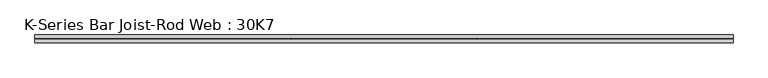
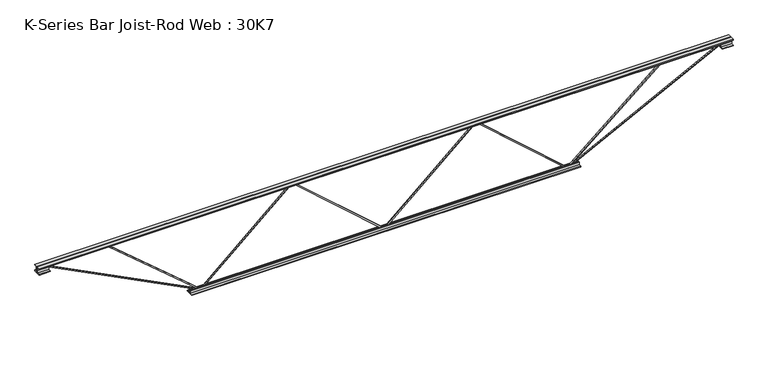
"""IFC4 building model written with IfcOpenShell, lengths in millimetres: beam geometry, K-Series Bar Joist-Rod Web : 30K7."""

from ifc_helpers import new_model, si_unit, frame, origin, place, context, project, spatial, polyline, outline, extrude, source, transform, mapped, element, save


def k_series_bar_joist_rod_web_30k7_313f8475(model_context):
    return source(origin(), model_context, "Body", "SweptSolid", [
        extrude(outline(polyline([(-369.8875, 0.0), (-379.4125, 0.0), (-379.4125, 4.973034), (369.8875, 855.873034), (369.8875, 858.626966), (-379.4125, 1709.526966), (-379.4125, 1714.5), (-369.8875, 1714.5), (-369.8875, 1713.123034), (379.4125, 862.223034), (379.4125, 852.276966), (-369.8875, 1.376966), (-369.8875, 0.0)])), frame((0.0, -4.7625, 0.0), z_axis=(0.0, 1.0, 0.0), x_axis=(0.0, 0.0, 1.0)), (0.0, 0.0, 1.0), 9.525),
        extrude(outline(polyline([(-369.8875, -1714.5), (-379.4125, -1714.5), (-379.4125, -1709.526966), (369.8875, -858.626966), (369.8875, -855.873034), (-379.4125, -4.973034), (-379.4125, 0.0), (-369.8875, 0.0), (-369.8875, -1.376966), (379.4125, -852.276966), (379.4125, -862.223034), (-369.8875, -1713.123034), (-369.8875, -1714.5)])), frame((0.0, -4.7625, 0.0), z_axis=(0.0, 1.0, 0.0), x_axis=(0.0, 0.0, 1.0)), (0.0, 0.0, 1.0), 9.525),
        extrude(outline(polyline([(4.7625, 381.0), (36.5125, 381.0), (36.5125, 374.65), (11.1125, 374.65), (11.1125, 349.25), (4.7625, 349.25), (4.7625, 381.0)])), frame((-3238.5, 0.0, 0.0), z_axis=(1.0, 0.0, 0.0), x_axis=(0.0, 1.0, 0.0)), (0.0, 0.0, 1.0), 6477.0),
        extrude(outline(polyline([(-4.7625, 381.0), (-4.7625, 349.25), (-11.1125, 349.25), (-11.1125, 374.65), (-36.5125, 374.65), (-36.5125, 381.0), (-4.7625, 381.0)])), frame((-3238.5, 0.0, 0.0), z_axis=(1.0, 0.0, 0.0), x_axis=(0.0, 1.0, 0.0)), (0.0, 0.0, 1.0), 6477.0),
        extrude(outline(polyline([(-4.7625, 317.5), (-36.5125, 317.5), (-36.5125, 323.85), (-11.1125, 323.85), (-11.1125, 349.25), (-4.7625, 349.25), (-4.7625, 317.5)])), frame((-3238.5, 0.0, 0.0), z_axis=(1.0, 0.0, 0.0), x_axis=(0.0, 1.0, 0.0)), (0.0, 0.0, 1.0), 101.6),
        extrude(outline(polyline([(36.5125, 317.5), (4.7625, 317.5), (4.7625, 349.25), (11.1125, 349.25), (11.1125, 323.85), (36.5125, 323.85), (36.5125, 317.5)])), frame((-3238.5, 0.0, 0.0), z_axis=(1.0, 0.0, 0.0), x_axis=(0.0, 1.0, 0.0)), (0.0, 0.0, 1.0), 101.6),
        extrude(outline(polyline([(4.7625, 317.5), (4.7625, 349.25), (11.1125, 349.25), (11.1125, 323.85), (36.5125, 323.85), (36.5125, 317.5), (4.7625, 317.5)])), frame((3136.9, 0.0, 0.0), z_axis=(1.0, 0.0, 0.0), x_axis=(0.0, 1.0, 0.0)), (0.0, 0.0, 1.0), 101.6),
        extrude(outline(polyline([(-4.7625, 317.5), (-36.5125, 317.5), (-36.5125, 323.85), (-11.1125, 323.85), (-11.1125, 349.25), (-4.7625, 349.25), (-4.7625, 317.5)])), frame((3136.9, 0.0, 0.0), z_axis=(1.0, 0.0, 0.0), x_axis=(0.0, 1.0, 0.0)), (0.0, 0.0, 1.0), 101.6),
        extrude(outline(polyline([(4.7625, -381.0), (4.7625, -349.25), (11.1125, -349.25), (11.1125, -374.65), (36.5125, -374.65), (36.5125, -381.0), (4.7625, -381.0)])), frame((-1816.1, 0.0, 0.0), z_axis=(1.0, 0.0, 0.0), x_axis=(0.0, 1.0, 0.0)), (0.0, 0.0, 1.0), 3632.2),
        extrude(outline(polyline([(-4.7625, -381.0), (-36.5125, -381.0), (-36.5125, -374.65), (-11.1125, -374.65), (-11.1125, -349.25), (-4.7625, -349.25), (-4.7625, -381.0)])), frame((-1816.1, 0.0, 0.0), z_axis=(1.0, 0.0, 0.0), x_axis=(0.0, 1.0, 0.0)), (0.0, 0.0, 1.0), 3632.2),
        extrude(outline(polyline([(0.0, -9.525), (0.0, 0.0), (1596.011582, 0.0), (1596.011582, -9.525), (0.0, -9.525)])), frame((-3139.0601183, 4.7625, 345.0055571), z_axis=(0.4535681370653388, 0.0, 0.8912216026550738), x_axis=(0.8912216026550738, 0.0, -0.4535681370653388)), (0.0, 0.0, 1.0), 9.525),
        extrude(outline(polyline([(0.0, -9.525), (0.0, 0.0), (1122.0110394, 0.0), (1122.0110394, -9.525), (0.0, -9.525)])), frame((-2574.8226736, 4.7625, 345.6113075), z_axis=(0.6451808178261166, 0.0, 0.7640299158470324), x_axis=(0.7640299158470324, 0.0, -0.6451808178261166)), (0.0, 0.0, 1.0), 9.525),
        extrude(outline(polyline([(0.0, -9.525), (0.0, 0.0), (1596.011582, 0.0), (1596.011582, -9.525), (0.0, -9.525)])), frame((3139.0601183, -4.7625, 345.0055571), z_axis=(-0.4535681370653315, 0.0, 0.8912216026550774), x_axis=(-0.8912216026550774, 0.0, -0.4535681370653315)), (0.0, 0.0, 1.0), 9.525),
        extrude(outline(polyline([(0.0, -9.525), (0.0, 0.0), (1122.0110394, 0.0), (1122.0110394, -9.525), (0.0, -9.525)])), frame((2574.8226736, -4.7625, 345.6113075), z_axis=(-0.6451808178261143, 0.0, 0.7640299158470344), x_axis=(-0.7640299158470344, 0.0, -0.6451808178261143)), (0.0, 0.0, 1.0), 9.525),
    ])


if __name__ == "__main__":
    model = new_model("IFC4")
    model_context = context("Model", 3, world=origin())
    ifc_project = project(units=[si_unit("LENGTHUNIT", "METRE", prefix="MILLI")], contexts=[model_context])
    site = spatial("IfcSite", under=ifc_project)
    building = spatial("IfcBuilding", under=site)
    placement = place(None, origin())
    k_series_bar_joist_rod_web_30k7_shape = k_series_bar_joist_rod_web_30k7_313f8475(model_context)
    element("IfcBeam", 1, ObjectType="K-Series Bar Joist-Rod Web : 30K7", at=placement, inside=building, context=model_context, shape_type="MappedRepresentation", body=[
        mapped(k_series_bar_joist_rod_web_30k7_shape, transform((0.0, 0.0, 0.0), x_axis=(1.0, 0.0, 0.0), y_axis=(0.0, 1.0, 0.0), z_axis=(0.0, 0.0, 1.0))),
    ])
    save(model, "model.ifc")
